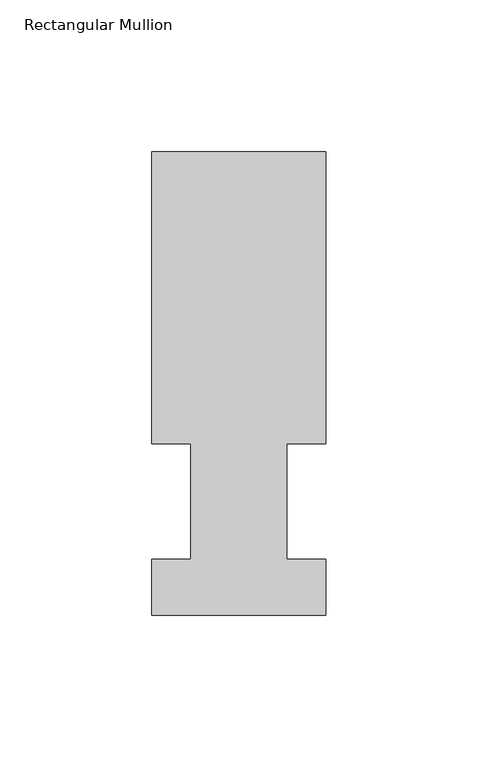
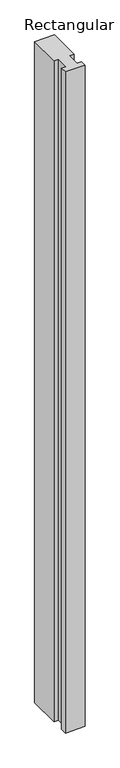
"""IFC4 building model written with IfcOpenShell, lengths in millimetres: member geometry, Rectangular Mullion."""

from ifc_helpers import new_model, si_unit, frame, origin, place, context, project, spatial, polyline, outline, extrude, source, transform, mapped, element, save


def rectangular_mullion_9e2f5064(model_context):
    return source(origin(), model_context, "Body", "SweptSolid", [
        extrude(outline(polyline([(-28.575, 152.36825), (28.575, 152.36825), (28.575, 56.35625), (15.875, 56.35625), (15.875, 18.25625), (28.575, 18.25625), (28.575, -0.03175), (-28.575, -0.03175), (-28.575, 18.25625), (-15.875, 18.25625), (-15.875, 56.35625), (-28.575, 56.35625), (-28.575, 152.36825)])), frame((0.0, 0.0, -2006.6), z_axis=(0.0, 0.0, 1.0), x_axis=(1.0, 0.0, 0.0)), (0.0, 0.0, 1.0), 2006.6),
    ])


if __name__ == "__main__":
    model = new_model("IFC4")
    model_context = context("Model", 3, world=origin())
    ifc_project = project(units=[si_unit("LENGTHUNIT", "METRE", prefix="MILLI")], contexts=[model_context])
    site = spatial("IfcSite", under=ifc_project)
    building = spatial("IfcBuilding", under=site)
    placement = place(None, origin())
    rectangular_mullion_shape = rectangular_mullion_9e2f5064(model_context)
    element("IfcMember", 1, ObjectType="Rectangular Mullion", at=placement, inside=building, context=model_context, shape_type="MappedRepresentation", body=[
        mapped(rectangular_mullion_shape, transform((0.0, 0.0, 0.0), x_axis=(1.0, 0.0, 0.0), y_axis=(0.0, 1.0, 0.0), z_axis=(0.0, 0.0, 1.0))),
    ])
    save(model, "model.ifc")
